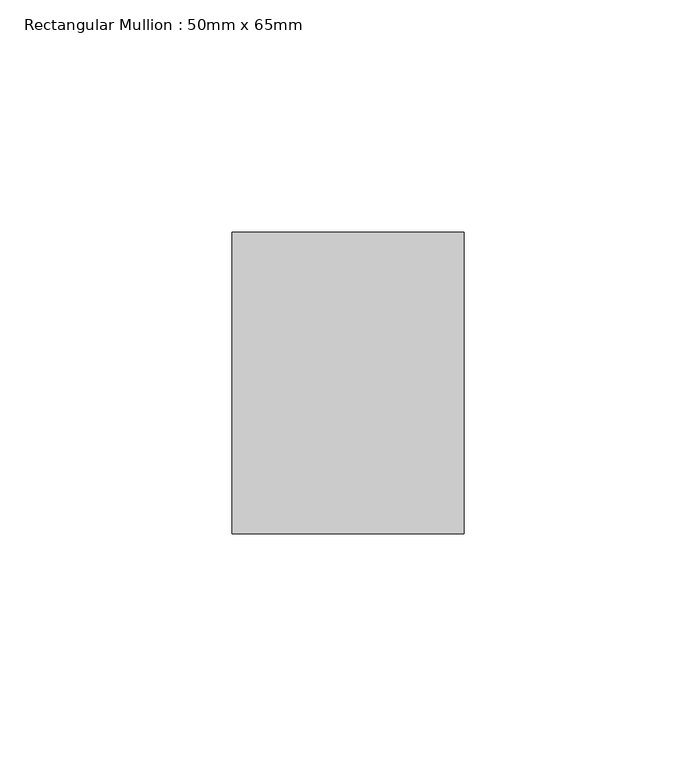
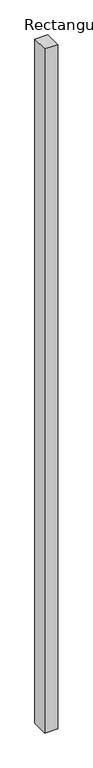
"""IFC4 building model written with IfcOpenShell, lengths in millimetres: member geometry, Rectangular Mullion : 50mm x 65mm."""

from ifc_helpers import new_model, si_unit, frame, origin, place, context, project, spatial, polyline, outline, extrude, source, transform, mapped, element, save


def rectangular_mullion_50mm_x_65mm_6c684112(model_context):
    return source(origin(), model_context, "Body", "SweptSolid", [
        extrude(outline(polyline([(25.0, 32.5), (25.0, -32.5), (-25.0, -32.5), (-25.0, 32.5), (25.0, 32.5)])), frame((0.0, 0.0, -2773.8908977), z_axis=(0.0, 0.0, 1.0), x_axis=(1.0, 0.0, 0.0)), (0.0, 0.0, 1.0), 2773.8908977),
    ])


if __name__ == "__main__":
    model = new_model("IFC4")
    model_context = context("Model", 3, world=origin())
    ifc_project = project(units=[si_unit("LENGTHUNIT", "METRE", prefix="MILLI")], contexts=[model_context])
    site = spatial("IfcSite", under=ifc_project)
    building = spatial("IfcBuilding", under=site)
    placement = place(None, origin())
    rectangular_mullion_50mm_x_65mm_shape = rectangular_mullion_50mm_x_65mm_6c684112(model_context)
    element("IfcMember", 1, ObjectType="Rectangular Mullion : 50mm x 65mm", at=placement, inside=building, context=model_context, shape_type="MappedRepresentation", body=[
        mapped(rectangular_mullion_50mm_x_65mm_shape, transform((0.0, 0.0, 0.0), x_axis=(1.0, 0.0, 0.0), y_axis=(0.0, 1.0, 0.0), z_axis=(0.0, 0.0, 1.0))),
    ])
    save(model, "model.ifc")
